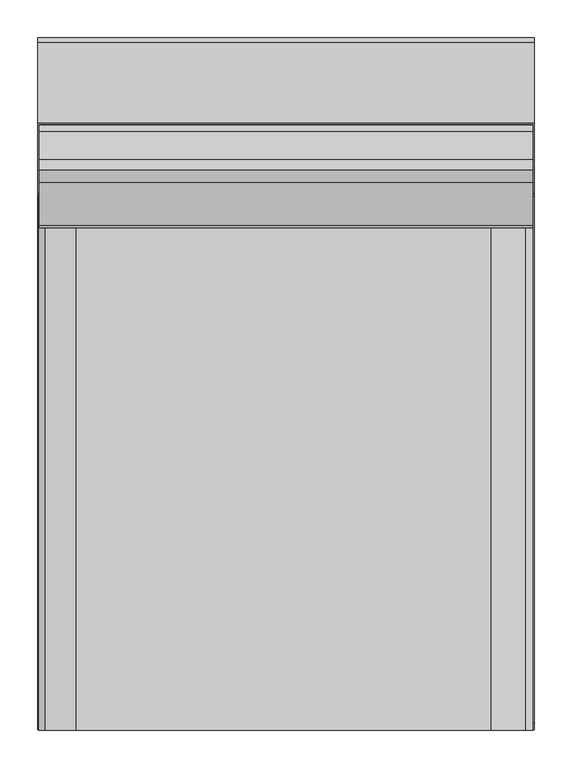
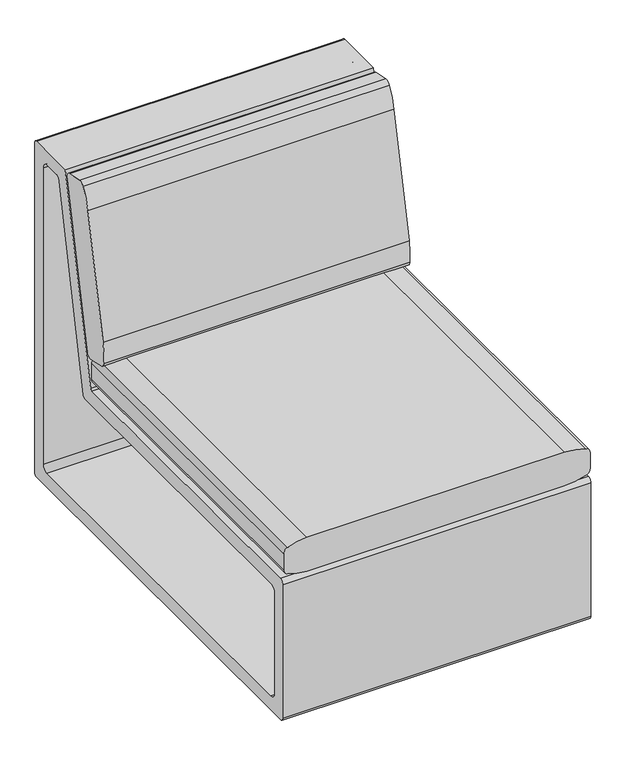
"""IFC4 building model written with IfcOpenShell, lengths in millimetres: furniture geometry."""

from ifc_helpers import new_model, si_unit, point, frame, frame_2d, origin, origin_with_axes, place, context, project, spatial, polyline, circle_curve, trimmed, segment, composite_curve, outline, extrude, source, transform, mapped, element, save


def furniture_4831683f(model_context):
    return source(origin(), model_context, "Body", "SweptSolid", [
        extrude(outline(composite_curve([segment(polyline([(237.0308571, 415.6992556), (218.0272074, 419.7753864)]), True, "CONTINUOUS"), segment(trimmed(circle_curve(frame_2d((220.6340673, 431.9290325)), 12.4300777), [point((218.0272074, 419.7753864))], [point((208.2688547, 430.6608262))], False, "CARTESIAN"), True, "CONTINUOUS"), segment(trimmed(circle_curve(frame_2d((359.8735717, 446.2097741)), 152.4), [point((208.2688547, 430.6608262))], [point((210.8236441, 477.9883688))], False, "CARTESIAN"), True, "CONTINUOUS"), segment(polyline([(210.8236441, 477.9883688), (267.1304927, 742.0822281)]), True, "CONTINUOUS"), segment(trimmed(circle_curve(frame_2d((416.1804203, 710.3036334)), 152.4), [point((267.1304927, 742.0822281))], [point((284.3499346, 786.7659315))], False, "CARTESIAN"), True, "CONTINUOUS"), segment(trimmed(circle_curve(frame_2d((295.1023176, 780.529499)), 12.4300777), [point((284.3499346, 786.7659315))], [point((297.6866757, 792.6879498))], False, "CARTESIAN"), True, "CONTINUOUS"), segment(polyline([(297.6866757, 792.6879498), (334.9540995, 784.7665157)]), True, "CONTINUOUS"), segment(trimmed(circle_curve(frame_2d((332.3697415, 772.6080649)), 12.4300777), [point((334.9540995, 784.7665157))], [point((344.7291177, 773.9319421))], False, "CARTESIAN"), True, "CONTINUOUS"), segment(trimmed(circle_curve(frame_2d((193.195959, 757.7004356)), 152.4), [point((344.7291177, 773.9319421))], [point((342.2853644, 726.1075697))], False, "CARTESIAN"), True, "CONTINUOUS"), segment(polyline([(342.2853644, 726.1075697), (286.307599, 461.9437617)]), True, "CONTINUOUS"), segment(trimmed(circle_curve(frame_2d((137.2181936, 493.5366276)), 152.4), [point((286.307599, 461.9437617))], [point((269.3916726, 417.6687725))], False, "CARTESIAN"), True, "CONTINUOUS"), segment(trimmed(circle_curve(frame_2d((258.6113143, 423.8567208)), 12.4300777), [point((269.3916726, 417.6687725))], [point((256.049467, 411.6935071))], False, "CARTESIAN"), True, "CONTINUOUS"), segment(polyline([(256.049467, 411.6935071), (237.0308571, 415.6992556)]), True, "CONTINUOUS")], self_intersect=False)), frame((30.7911988, 0.0, 0.0), z_axis=(1.0, 0.0, 0.0), x_axis=(0.0, 1.0, 0.0)), (0.0, 0.0, 1.0), 656.1316801),
        extrude(outline(composite_curve([segment(trimmed(circle_curve(frame_2d((-8254.2759992, 352.0509027)), 8684.3760242), [point((425.6081739, 631.3315347))], [point((425.8381682, 80.0123557))], False, "CARTESIAN"), True, "CONTINUOUS"), segment(trimmed(circle_curve(frame_2d((298.9004934, 83.9906376)), 127.0), [point((425.8381682, 80.0123557))], [point((417.2646417, 37.9588182))], False, "CARTESIAN"), True, "CONTINUOUS"), segment(trimmed(circle_curve(frame_2d((405.4282269, 42.5620001)), 12.7), [point((417.2646417, 37.9588182))], [point((405.4282269, 29.8620001))], False, "CARTESIAN"), True, "CONTINUOUS"), segment(polyline([(405.4282269, 29.8620001), (369.428762, 29.8620001)]), True, "CONTINUOUS"), segment(trimmed(circle_curve(frame_2d((369.428762, 42.5620001)), 12.7), [point((369.428762, 29.8620001))], [point((357.5923471, 37.9588182))], False, "CARTESIAN"), True, "CONTINUOUS"), segment(trimmed(circle_curve(frame_2d((475.9564954, 83.9906376)), 127.0), [point((357.5923471, 37.9588182))], [point((349.0188207, 80.0123557))], False, "CARTESIAN"), True, "CONTINUOUS"), segment(trimmed(circle_curve(frame_2d((9029.1329881, 352.0509027)), 8684.3760242), [point((349.0188207, 80.0123557))], [point((349.2488149, 631.3315347))], False, "CARTESIAN"), True, "CONTINUOUS"), segment(trimmed(circle_curve(frame_2d((526.9568508, 625.6136689)), 177.8), [point((349.2488149, 631.3315347))], [point((357.0691869, 678.0638514))], False, "CARTESIAN"), True, "CONTINUOUS"), segment(trimmed(circle_curve(frame_2d((369.20402, 674.3174098)), 12.7), [point((357.0691869, 678.0638514))], [point((369.20402, 687.0174098))], False, "CARTESIAN"), True, "CONTINUOUS"), segment(polyline([(369.20402, 687.0174098), (405.6529688, 687.0174098)]), True, "CONTINUOUS"), segment(trimmed(circle_curve(frame_2d((405.6529688, 674.3174098)), 12.7), [point((405.6529688, 687.0174098))], [point((417.787802, 678.0638514))], False, "CARTESIAN"), True, "CONTINUOUS"), segment(trimmed(circle_curve(frame_2d((247.900138, 625.6136689)), 177.8), [point((417.787802, 678.0638514))], [point((425.6081739, 631.3315347))], False, "CARTESIAN"), True, "CONTINUOUS")], self_intersect=False)), frame((0.0, -460.9236442, 0.0), z_axis=(0.0, 1.0, 0.0), x_axis=(0.0, 0.0, 1.0)), (0.0, 0.0, 1.0), 711.99375),
        extrude(outline(polyline([(611.9812258, -308.2493524), (615.15625, -311.4243494), (615.15625, -355.8743524), (611.9812258, -359.0493494), (567.53125, -359.0493494), (564.3562258, -355.8743524), (564.3562258, -311.4243494), (567.53125, -308.2493524), (611.9812258, -308.2493524)])), frame((0.0, 0.0, 3.1750001), z_axis=(0.0, 0.0, 1.0), x_axis=(1.0, 0.0, 0.0)), (0.0, 0.0, 1.0), 22.2250007),
        extrude(outline(polyline([(615.15625, -305.0743463), (618.3312379, -308.2493524), (618.3312379, -359.0493494), (615.15625, -362.2243554), (564.3562258, -362.2243554), (561.1812379, -359.0493494), (561.1812379, -308.2493524), (564.3562258, -305.0743463), (615.15625, -305.0743463)])), origin_with_axes(), (0.0, 0.0, 1.0), 3.1750001),
        extrude(outline(polyline([(205.5812409, -308.2493524), (208.7562651, -311.4243494), (208.7562651, -355.8743524), (205.5812409, -359.0493494), (161.1312651, -359.0493494), (157.9562409, -355.8743524), (157.9562409, -311.4243494), (161.1312651, -308.2493524), (205.5812409, -308.2493524)])), frame((0.0, 0.0, 3.1750001), z_axis=(0.0, 0.0, 1.0), x_axis=(1.0, 0.0, 0.0)), (0.0, 0.0, 1.0), 22.2250007),
        extrude(outline(polyline([(208.7562651, -305.0743463), (211.931253, -308.2493524), (211.931253, -359.0493494), (208.7562651, -362.2243554), (157.9562409, -362.2243554), (154.781253, -359.0493494), (154.781253, -308.2493524), (157.9562409, -305.0743463), (208.7562651, -305.0743463)])), origin_with_axes(), (0.0, 0.0, 1.0), 3.1750001),
        extrude(outline(polyline([(205.5812409, 358.5006749), (208.7562651, 355.3256779), (208.7562651, 310.8756749), (205.5812409, 307.7006779), (161.1312651, 307.7006779), (157.9562409, 310.8756749), (157.9562409, 355.3256779), (161.1312651, 358.5006749), (205.5812409, 358.5006749)])), frame((0.0, 0.0, 3.1750001), z_axis=(0.0, 0.0, 1.0), x_axis=(1.0, 0.0, 0.0)), (0.0, 0.0, 1.0), 22.2250007),
        extrude(outline(polyline([(208.7562651, 361.6756809), (211.931253, 358.5006749), (211.931253, 307.7006779), (208.7562651, 304.5256718), (157.9562409, 304.5256718), (154.781253, 307.7006779), (154.781253, 358.5006749), (157.9562409, 361.6756809), (208.7562651, 361.6756809)])), origin_with_axes(), (0.0, 0.0, 1.0), 3.1750001),
        extrude(outline(polyline([(611.9812258, 358.5006749), (615.15625, 355.3256779), (615.15625, 310.8756749), (611.9812258, 307.7006779), (567.53125, 307.7006779), (564.3562258, 310.8756749), (564.3562258, 355.3256779), (567.53125, 358.5006749), (611.9812258, 358.5006749)])), frame((0.0, 0.0, 3.1750001), z_axis=(0.0, 0.0, 1.0), x_axis=(1.0, 0.0, 0.0)), (0.0, 0.0, 1.0), 22.2250007),
        extrude(outline(polyline([(615.15625, 361.6756809), (618.3312379, 358.5006749), (618.3312379, 307.7006779), (615.15625, 304.5256718), (564.3562258, 304.5256718), (561.1812379, 307.7006779), (561.1812379, 358.5006749), (564.3562258, 361.6756809), (615.15625, 361.6756809)])), origin_with_axes(), (0.0, 0.0, 1.0), 3.1750001),
        extrude(outline(composite_curve([segment(trimmed(circle_curve(frame_2d((248.4922796, 349.8935536)), 4.8013546), [point((248.4922796, 345.092199))], [point((253.1864451, 348.8846847))], True, "CARTESIAN"), True, "CONTINUOUS"), segment(polyline([(253.1864451, 348.8846847), (347.432053, 787.4), (454.025, 787.4)]), True, "CONTINUOUS"), segment(trimmed(circle_curve(frame_2d((454.025, 781.05)), 6.35), [point((454.025, 787.4))], [point((460.375, 781.05))], False, "CARTESIAN"), True, "CONTINUOUS"), segment(polyline([(460.375, 781.05), (460.375, 30.6404917)]), True, "CONTINUOUS"), segment(trimmed(circle_curve(frame_2d((455.1345091, 30.6404917)), 5.2404909), [point((460.375, 30.6404917))], [point((455.1345091, 25.4000008))], False, "CARTESIAN"), True, "CONTINUOUS"), segment(polyline([(455.1345091, 25.4000008), (-452.6230719, 25.4000008)]), True, "CONTINUOUS"), segment(trimmed(circle_curve(frame_2d((-452.6230719, 33.1519289)), 7.7519281), [point((-452.6230719, 25.4000008))], [point((-460.375, 33.1519289))], False, "CARTESIAN"), True, "CONTINUOUS"), segment(polyline([(-460.375, 33.1519289), (-460.375, 335.5036708)]), True, "CONTINUOUS"), segment(trimmed(circle_curve(frame_2d((-450.7864717, 335.5036708)), 9.5885283), [point((-460.375, 335.5036708))], [point((-450.7864717, 345.092199))], False, "CARTESIAN"), True, "CONTINUOUS"), segment(polyline([(-450.7864717, 345.092199), (248.4922796, 345.092199)]), True, "CONTINUOUS")], self_intersect=False), holes=[composite_curve([segment(polyline([(428.3506765, 69.85), (428.3506765, 742.9500242)]), True, "CONTINUOUS"), segment(trimmed(circle_curve(frame_2d((415.6506765, 742.9500242)), 12.7), [point((428.3506765, 742.9500242))], [point((415.6506765, 755.6500242))], True, "CARTESIAN"), True, "CONTINUOUS"), segment(polyline([(415.6506765, 755.6500242), (382.3013664, 755.6500242)]), True, "CONTINUOUS"), segment(trimmed(circle_curve(frame_2d((382.3013664, 744.2947758)), 11.3552484), [point((382.3013664, 755.6500242))], [point((371.1793097, 746.5842129))], True, "CARTESIAN"), True, "CONTINUOUS"), segment(polyline([(371.1793097, 746.5842129), (282.5627899, 316.0862607)]), True, "CONTINUOUS"), segment(trimmed(circle_curve(frame_2d((276.3431937, 317.3665431)), 6.35), [point((282.5627899, 316.0862607))], [point((276.3419699, 311.0165432))], False, "CARTESIAN"), True, "CONTINUOUS"), segment(polyline([(276.3419699, 311.0165432), (-416.1968395, 311.1500116)]), True, "CONTINUOUS"), segment(trimmed(circle_curve(frame_2d((-416.1992871, 298.4500119)), 12.7), [point((-416.1968395, 311.1500116))], [point((-428.8992871, 298.4500119))], True, "CARTESIAN"), True, "CONTINUOUS"), segment(polyline([(-428.8992871, 298.4500119), (-428.8992871, 69.85)]), True, "CONTINUOUS"), segment(trimmed(circle_curve(frame_2d((-416.1992871, 69.85)), 12.7), [point((-428.8992871, 69.85))], [point((-416.1992871, 57.15))], True, "CARTESIAN"), True, "CONTINUOUS"), segment(polyline([(-416.1992871, 57.15), (415.6506765, 57.15)]), True, "CONTINUOUS"), segment(trimmed(circle_curve(frame_2d((415.6506765, 69.85)), 12.7), [point((415.6506765, 57.15))], [point((428.3506765, 69.85))], True, "CARTESIAN"), True, "CONTINUOUS")], self_intersect=False)]), frame((28.575, 0.0, 0.0), z_axis=(1.0, 0.0, 0.0), x_axis=(0.0, 1.0, 0.0)), (0.0, 0.0, 1.0), 660.4),
    ])


if __name__ == "__main__":
    model = new_model("IFC4")
    model_context = context("Model", 3, world=origin())
    ifc_project = project(units=[si_unit("LENGTHUNIT", "METRE", prefix="MILLI")], contexts=[model_context])
    site = spatial("IfcSite", under=ifc_project)
    building = spatial("IfcBuilding", under=site)
    placement = place(None, origin())
    furniture_shape = furniture_4831683f(model_context)
    element("IfcFurniture", 1, at=placement, inside=building, context=model_context, shape_type="MappedRepresentation", body=[
        mapped(furniture_shape, transform((0.0, 0.0, 0.0), x_axis=(1.0, 0.0, 0.0), y_axis=(0.0, 1.0, 0.0), z_axis=(0.0, 0.0, 1.0))),
    ])
    save(model, "model.ifc")
